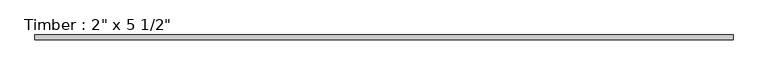
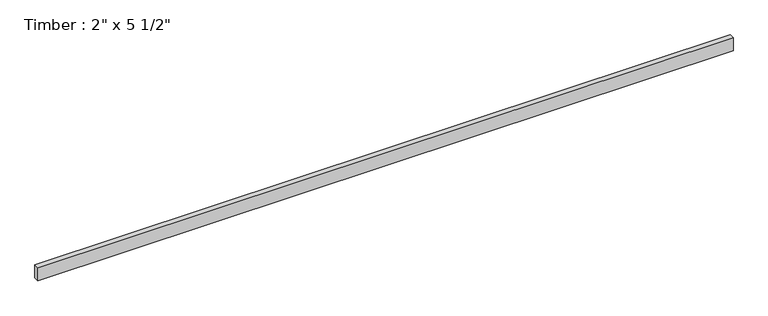
"""IFC4 building model written with IfcOpenShell, lengths in millimetres: beam geometry."""

from ifc_helpers import new_model, si_unit, frame, origin, place, context, project, spatial, polyline, outline, extrude, source, transform, mapped, element, save


def beam_a1e747fa(model_context):
    return source(origin(), model_context, "Body", "SweptSolid", [
        extrude(outline(polyline([(3488.5514639, 25.4), (3488.5514639, -25.4), (-3488.5514639, -25.4), (-3488.5514639, 25.4), (3488.5514639, 25.4)])), frame((0.0, 0.0, -69.85), z_axis=(0.0, 0.0, 1.0), x_axis=(1.0, 0.0, 0.0)), (0.0, 0.0, 1.0), 139.7),
    ])


if __name__ == "__main__":
    model = new_model("IFC4")
    model_context = context("Model", 3, world=origin())
    ifc_project = project(units=[si_unit("LENGTHUNIT", "METRE", prefix="MILLI")], contexts=[model_context])
    site = spatial("IfcSite", under=ifc_project)
    building = spatial("IfcBuilding", under=site)
    placement = place(None, origin())
    beam_shape = beam_a1e747fa(model_context)
    element("IfcBeam", 1, ObjectType="Timber : 2\" x 5 1/2\"", at=placement, inside=building, context=model_context, shape_type="MappedRepresentation", body=[
        mapped(beam_shape, transform((0.0, 0.0, 0.0), x_axis=(1.0, 0.0, 0.0), y_axis=(0.0, 1.0, 0.0), z_axis=(0.0, 0.0, 1.0))),
    ])
    save(model, "model.ifc")
